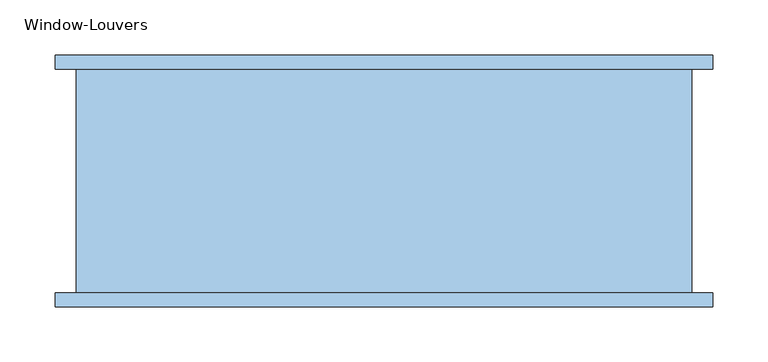
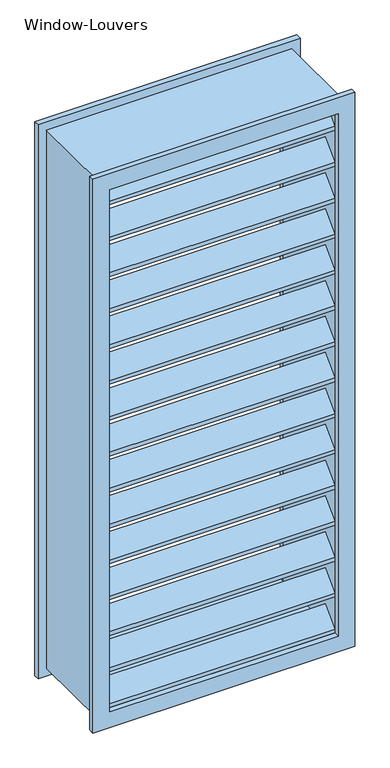
"""IFC4 building model written with IfcOpenShell, lengths in millimetres: window geometry, Window-Louvers."""

from ifc_helpers import new_model, si_unit, frame, origin, place, context, project, spatial, polyline, outline, extrude, source, transform, mapped, element, save


def window_louvers_df282a33(model_context):
    return source(origin(), model_context, "Body", "SweptSolid", [
        extrude(outline(polyline([(-95.25, 2066.2057326), (-57.15, 2104.3057326), (-19.05, 2066.2057326), (-19.05, 2057.2254765), (-57.15, 2095.3254765), (-95.25, 2057.2254765), (-95.25, 2066.2057326)])), frame((-260.35, 0.0, 0.0), z_axis=(1.0, 0.0, 0.0), x_axis=(0.0, 1.0, 0.0)), (0.0, 0.0, 1.0), 520.7),
        extrude(outline(polyline([(-95.25, 1979.7614652), (-57.15, 2017.8614652), (-19.05, 1979.7614652), (-19.05, 1970.781209), (-57.15, 2008.881209), (-95.25, 1970.781209), (-95.25, 1979.7614652)])), frame((-260.35, 0.0, 0.0), z_axis=(1.0, 0.0, 0.0), x_axis=(0.0, 1.0, 0.0)), (0.0, 0.0, 1.0), 520.7),
        extrude(outline(polyline([(-95.25, 1893.3171977), (-57.15, 1931.4171977), (-19.05, 1893.3171977), (-19.05, 1884.3369416), (-57.15, 1922.4369416), (-95.25, 1884.3369416), (-95.25, 1893.3171977)])), frame((-260.35, 0.0, 0.0), z_axis=(1.0, 0.0, 0.0), x_axis=(0.0, 1.0, 0.0)), (0.0, 0.0, 1.0), 520.7),
        extrude(outline(polyline([(-95.25, 1806.8729303), (-57.15, 1844.9729303), (-19.05, 1806.8729303), (-19.05, 1797.8926742), (-57.15, 1835.9926742), (-95.25, 1797.8926742), (-95.25, 1806.8729303)])), frame((-260.35, 0.0, 0.0), z_axis=(1.0, 0.0, 0.0), x_axis=(0.0, 1.0, 0.0)), (0.0, 0.0, 1.0), 520.7),
        extrude(outline(polyline([(-95.25, 1720.4286629), (-57.15, 1758.5286629), (-19.05, 1720.4286629), (-19.05, 1711.4484068), (-57.15, 1749.5484068), (-95.25, 1711.4484068), (-95.25, 1720.4286629)])), frame((-260.35, 0.0, 0.0), z_axis=(1.0, 0.0, 0.0), x_axis=(0.0, 1.0, 0.0)), (0.0, 0.0, 1.0), 520.7),
        extrude(outline(polyline([(-95.25, 1633.9843955), (-57.15, 1672.0843955), (-19.05, 1633.9843955), (-19.05, 1625.0041394), (-57.15, 1663.1041394), (-95.25, 1625.0041394), (-95.25, 1633.9843955)])), frame((-260.35, 0.0, 0.0), z_axis=(1.0, 0.0, 0.0), x_axis=(0.0, 1.0, 0.0)), (0.0, 0.0, 1.0), 520.7),
        extrude(outline(polyline([(-95.25, 1547.5401281), (-57.15, 1585.6401281), (-19.05, 1547.5401281), (-19.05, 1538.5598719), (-57.15, 1576.6598719), (-95.25, 1538.5598719), (-95.25, 1547.5401281)])), frame((-260.35, 0.0, 0.0), z_axis=(1.0, 0.0, 0.0), x_axis=(0.0, 1.0, 0.0)), (0.0, 0.0, 1.0), 520.7),
        extrude(outline(polyline([(-95.25, 1461.0958606), (-57.15, 1499.1958606), (-19.05, 1461.0958606), (-19.05, 1452.1156045), (-57.15, 1490.2156045), (-95.25, 1452.1156045), (-95.25, 1461.0958606)])), frame((-260.35, 0.0, 0.0), z_axis=(1.0, 0.0, 0.0), x_axis=(0.0, 1.0, 0.0)), (0.0, 0.0, 1.0), 520.7),
        extrude(outline(polyline([(-95.25, 1374.6515932), (-57.15, 1412.7515932), (-19.05, 1374.6515932), (-19.05, 1365.6713371), (-57.15, 1403.7713371), (-95.25, 1365.6713371), (-95.25, 1374.6515932)])), frame((-260.35, 0.0, 0.0), z_axis=(1.0, 0.0, 0.0), x_axis=(0.0, 1.0, 0.0)), (0.0, 0.0, 1.0), 520.7),
        extrude(outline(polyline([(-95.25, 1288.2073258), (-57.15, 1326.3073258), (-19.05, 1288.2073258), (-19.05, 1279.2270697), (-57.15, 1317.3270697), (-95.25, 1279.2270697), (-95.25, 1288.2073258)])), frame((-260.35, 0.0, 0.0), z_axis=(1.0, 0.0, 0.0), x_axis=(0.0, 1.0, 0.0)), (0.0, 0.0, 1.0), 520.7),
        extrude(outline(polyline([(-95.25, 1201.7630584), (-57.15, 1239.8630584), (-19.05, 1201.7630584), (-19.05, 1192.7828023), (-57.15, 1230.8828023), (-95.25, 1192.7828023), (-95.25, 1201.7630584)])), frame((-260.35, 0.0, 0.0), z_axis=(1.0, 0.0, 0.0), x_axis=(0.0, 1.0, 0.0)), (0.0, 0.0, 1.0), 520.7),
        extrude(outline(polyline([(-95.25, 1115.318791), (-57.15, 1153.418791), (-19.05, 1115.318791), (-19.05, 1106.3385348), (-57.15, 1144.4385348), (-95.25, 1106.3385348), (-95.25, 1115.318791)])), frame((-260.35, 0.0, 0.0), z_axis=(1.0, 0.0, 0.0), x_axis=(0.0, 1.0, 0.0)), (0.0, 0.0, 1.0), 520.7),
        extrude(outline(polyline([(-95.25, 1028.8745235), (-57.15, 1066.9745235), (-19.05, 1028.8745235), (-19.05, 1019.8942674), (-57.15, 1057.9942674), (-95.25, 1019.8942674), (-95.25, 1028.8745235)])), frame((-260.35, 0.0, 0.0), z_axis=(1.0, 0.0, 0.0), x_axis=(0.0, 1.0, 0.0)), (0.0, 0.0, 1.0), 520.7),
        extrude(outline(polyline([(-95.25, 2152.65), (-57.15, 2190.75), (-19.05, 2152.65), (-19.05, 2143.6697439), (-57.15, 2181.7697439), (-95.25, 2143.6697439), (-95.25, 2152.65)])), frame((-260.35, 0.0, 0.0), z_axis=(1.0, 0.0, 0.0), x_axis=(0.0, 1.0, 0.0)), (0.0, 0.0, 1.0), 520.7),
        extrude(outline(polyline([(-95.25, 942.4302561), (-57.15, 980.5302561), (-19.05, 942.4302561), (-19.05, 933.45), (-57.15, 971.55), (-95.25, 933.45), (-95.25, 942.4302561)])), frame((-260.35, 0.0, 0.0), z_axis=(1.0, 0.0, 0.0), x_axis=(0.0, 1.0, 0.0)), (0.0, 0.0, 1.0), 520.7),
        extrude(outline(polyline([(2209.8, 279.4), (2209.8, -279.4), (914.4, -279.4), (914.4, 279.4), (2209.8, 279.4)]), holes=[polyline([(2190.75, 260.35), (933.45, 260.35), (933.45, -260.35), (2190.75, -260.35), (2190.75, 260.35)])]), frame((0.0, -95.25, 0.0), z_axis=(0.0, 1.0, 0.0), x_axis=(0.0, 0.0, 1.0)), (0.0, 0.0, 1.0), 203.2),
        extrude(outline(polyline([(2228.85, 298.45), (2228.85, -298.45), (895.35, -298.45), (895.35, 298.45), (2228.85, 298.45)]), holes=[polyline([(2190.75, 260.35), (933.45, 260.35), (933.45, -260.35), (2190.75, -260.35), (2190.75, 260.35)])]), frame((0.0, 107.95, 0.0), z_axis=(0.0, 1.0, 0.0), x_axis=(0.0, 0.0, 1.0)), (0.0, 0.0, 1.0), 12.7),
        extrude(outline(polyline([(2228.85, -298.45), (895.35, -298.45), (895.35, 298.45), (2228.85, 298.45), (2228.85, -298.45)]), holes=[polyline([(2190.75, -260.35), (2190.75, 260.35), (933.45, 260.35), (933.45, -260.35), (2190.75, -260.35)])]), frame((0.0, -107.95, 0.0), z_axis=(0.0, 1.0, 0.0), x_axis=(0.0, 0.0, 1.0)), (0.0, 0.0, 1.0), 12.7),
    ])


if __name__ == "__main__":
    model = new_model("IFC4")
    model_context = context("Model", 3, world=origin())
    ifc_project = project(units=[si_unit("LENGTHUNIT", "METRE", prefix="MILLI")], contexts=[model_context])
    site = spatial("IfcSite", under=ifc_project)
    building = spatial("IfcBuilding", under=site)
    placement = place(None, origin())
    window_louvers_shape = window_louvers_df282a33(model_context)
    element("IfcWindow", 1, ObjectType="Window-Louvers", at=placement, inside=building, context=model_context, shape_type="MappedRepresentation", body=[
        mapped(window_louvers_shape, transform((0.0, 0.0, 0.0), x_axis=(1.0, 0.0, 0.0), y_axis=(0.0, 1.0, 0.0), z_axis=(0.0, 0.0, 1.0))),
    ])
    save(model, "model.ifc")
